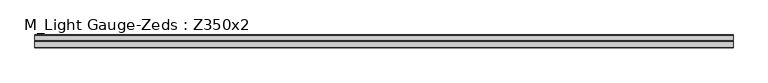
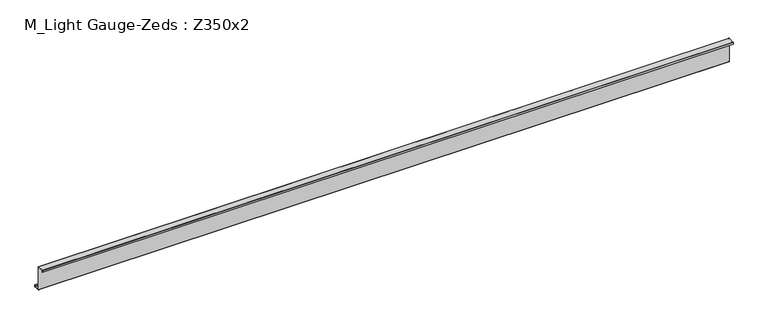
"""IFC4 building model written with IfcOpenShell, lengths in millimetres: beam geometry, M_Light Gauge-Zeds : Z350x2."""

from ifc_helpers import new_model, si_unit, point, frame, frame_2d, origin, place, context, project, spatial, polyline, circle_curve, trimmed, segment, composite_curve, outline, extrude, source, transform, mapped, element, save


def m_light_gauge_zeds_z350x2_e8b2c28f(model_context):
    return source(origin(), model_context, "Body", "SweptSolid", [
        extrude(outline(composite_curve([segment(polyline([(0.0, -171.0), (0.0, 171.0)]), True, "CONTINUOUS"), segment(trimmed(circle_curve(frame_2d((-2.0, 171.0)), 2.0), [point((0.0, 171.0))], [point((-2.0, 173.0))], True, "CARTESIAN"), True, "CONTINUOUS"), segment(polyline([(-2.0, 173.0), (-90.0, 173.0)]), True, "CONTINUOUS"), segment(trimmed(circle_curve(frame_2d((-90.0, 171.0)), 2.0), [point((-90.0, 173.0))], [point((-92.0, 171.0))], True, "CARTESIAN"), True, "CONTINUOUS"), segment(polyline([(-92.0, 171.0), (-92.0, 145.0), (-94.0, 145.0), (-94.0, 171.0)]), True, "CONTINUOUS"), segment(trimmed(circle_curve(frame_2d((-90.0, 171.0)), 4.0), [point((-94.0, 171.0))], [point((-90.0, 175.0))], False, "CARTESIAN"), True, "CONTINUOUS"), segment(polyline([(-90.0, 175.0), (-2.0, 175.0)]), True, "CONTINUOUS"), segment(trimmed(circle_curve(frame_2d((-2.0, 171.0)), 4.0), [point((-2.0, 175.0))], [point((2.0, 171.0))], False, "CARTESIAN"), True, "CONTINUOUS"), segment(polyline([(2.0, 171.0), (2.0, -171.0)]), True, "CONTINUOUS"), segment(trimmed(circle_curve(frame_2d((4.0, -171.0)), 2.0), [point((2.0, -171.0))], [point((4.0, -173.0))], True, "CARTESIAN"), True, "CONTINUOUS"), segment(polyline([(4.0, -173.0), (82.0, -173.0)]), True, "CONTINUOUS"), segment(trimmed(circle_curve(frame_2d((82.0, -171.0)), 2.0), [point((82.0, -173.0))], [point((84.0, -171.0))], True, "CARTESIAN"), True, "CONTINUOUS"), segment(polyline([(84.0, -171.0), (84.0, -145.0), (86.0, -145.0), (86.0, -171.0)]), True, "CONTINUOUS"), segment(trimmed(circle_curve(frame_2d((82.0, -171.0)), 4.0), [point((86.0, -171.0))], [point((82.0, -175.0))], False, "CARTESIAN"), True, "CONTINUOUS"), segment(polyline([(82.0, -175.0), (4.0, -175.0)]), True, "CONTINUOUS"), segment(trimmed(circle_curve(frame_2d((4.0, -171.0)), 4.0), [point((4.0, -175.0))], [point((0.0, -171.0))], False, "CARTESIAN"), True, "CONTINUOUS")], self_intersect=False)), frame((-4887.3, 0.0, 0.0), z_axis=(1.0, 0.0, 0.0), x_axis=(0.0, 1.0, 0.0)), (0.0, 0.0, 1.0), 9774.6),
    ])


if __name__ == "__main__":
    model = new_model("IFC4")
    model_context = context("Model", 3, world=origin())
    ifc_project = project(units=[si_unit("LENGTHUNIT", "METRE", prefix="MILLI")], contexts=[model_context])
    site = spatial("IfcSite", under=ifc_project)
    building = spatial("IfcBuilding", under=site)
    placement = place(None, origin())
    m_light_gauge_zeds_z350x2_shape = m_light_gauge_zeds_z350x2_e8b2c28f(model_context)
    element("IfcBeam", 1, ObjectType="M_Light Gauge-Zeds : Z350x2", at=placement, inside=building, context=model_context, shape_type="MappedRepresentation", body=[
        mapped(m_light_gauge_zeds_z350x2_shape, transform((0.0, 0.0, 0.0), x_axis=(1.0, 0.0, 0.0), y_axis=(0.0, 1.0, 0.0), z_axis=(0.0, 0.0, 1.0))),
    ])
    save(model, "model.ifc")
